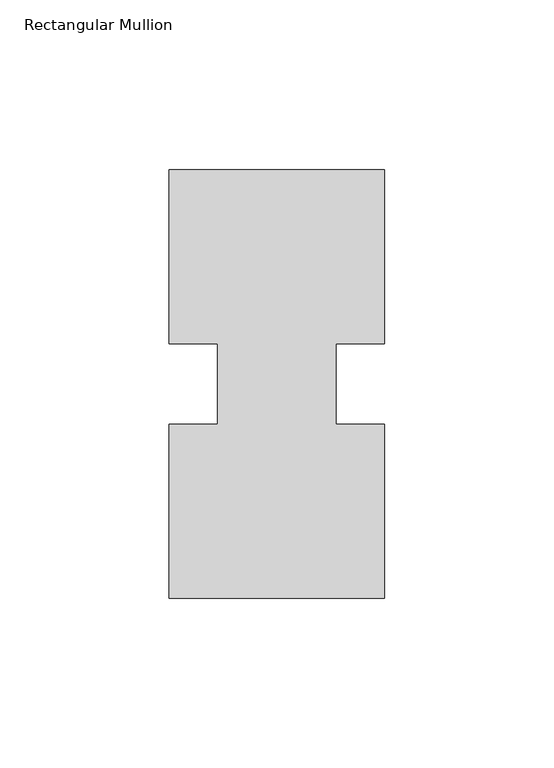
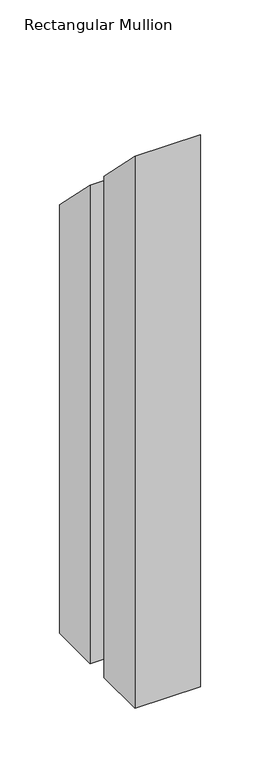
"""IFC4 building model written with IfcOpenShell, lengths in millimetres: member geometry, Rectangular Mullion."""

from ifc_helpers import new_model, si_unit, origin, place, context, project, spatial, faceted_brep, source, transform, mapped, element, save


def rectangular_mullion_3d896efc(model_context):
    return source(origin(), model_context, "Body", "Brep", [
        faceted_brep([(0.0, 0.26035, -565.15), (-63.5, 0.26035, -565.15), (-63.5, 51.60645, -565.15), (-49.2125, 51.60645, -565.15), (-49.2125, 75.40625, -565.15), (-63.5, 75.40625, -565.15), (-63.5, 126.75235, -565.15), (0.0, 126.75235, -565.15), (0.0, 75.40625, -565.15), (-14.2748, 75.40625, -565.15), (-14.2748, 51.60645, -565.15), (0.0, 51.60645, -565.15), (0.0, 51.60645, -51.60645), (0.0, 0.26035, -0.26035), (-14.2748, 51.60645, -51.60645), (-14.2748, 75.40625, -75.40625), (0.0, 75.40625, -75.40625), (0.0, 126.75235, -126.75235), (-63.5, 126.75235, -126.75235), (-63.5, 75.40625, -75.40625), (-49.2125, 75.40625, -75.40625), (-49.2125, 51.60645, -51.60645), (-63.5, 51.60645, -51.60645), (-63.5, 0.26035, -0.26035)], [[[0, 1, 2, 3, 4, 5, 6, 7, 8, 9, 10, 11]], [[12, 13, 0, 11]], [[14, 12, 11, 10]], [[15, 14, 10, 9]], [[16, 15, 9, 8]], [[17, 16, 8, 7]], [[18, 17, 7, 6]], [[19, 18, 6, 5]], [[20, 19, 5, 4]], [[21, 20, 4, 3]], [[22, 21, 3, 2]], [[23, 22, 2, 1]], [[13, 23, 1, 0]], [[13, 12, 14, 15, 16, 17, 18, 19, 20, 21, 22, 23]]]),
    ])


if __name__ == "__main__":
    model = new_model("IFC4")
    model_context = context("Model", 3, world=origin())
    ifc_project = project(units=[si_unit("LENGTHUNIT", "METRE", prefix="MILLI")], contexts=[model_context])
    site = spatial("IfcSite", under=ifc_project)
    building = spatial("IfcBuilding", under=site)
    placement = place(None, origin())
    rectangular_mullion_shape = rectangular_mullion_3d896efc(model_context)
    element("IfcMember", 1, ObjectType="Rectangular Mullion", at=placement, inside=building, context=model_context, shape_type="MappedRepresentation", body=[
        mapped(rectangular_mullion_shape, transform((0.0, 0.0, 0.0), x_axis=(1.0, 0.0, 0.0), y_axis=(0.0, 1.0, 0.0), z_axis=(0.0, 0.0, 1.0))),
    ])
    save(model, "model.ifc")
